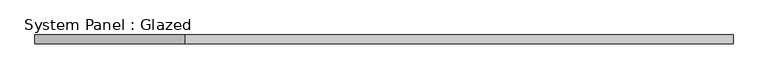
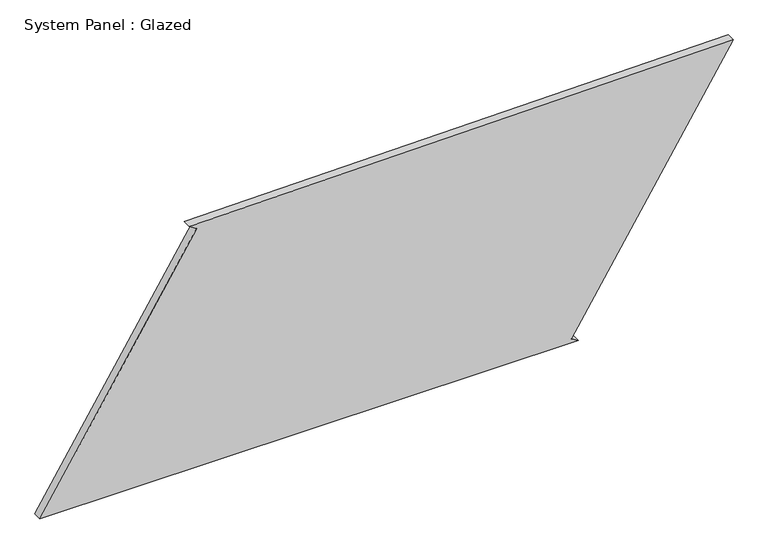
"""IFC4 building model written with IfcOpenShell, lengths in millimetres: plate geometry, System Panel : Glazed."""

from ifc_helpers import new_model, si_unit, frame, origin, place, context, project, spatial, polyline, outline, extrude, source, transform, mapped, element, save


def system_panel_glazed_07c647b2(model_context):
    return source(origin(), model_context, "Body", "SweptSolid", [
        extrude(outline(polyline([(0.0, -990.7912172), (0.0, 548.6918213), (13.2428603, 527.4874196), (755.082586, 990.7912172), (734.954859, -564.2025214), (721.7743138, -542.9593289), (0.0, -990.7912172)])), frame((0.0, -49.5, 0.0), z_axis=(0.0, 1.0, 0.0), x_axis=(0.0, 0.0, 1.0)), (0.0, 0.0, 1.0), 25.0),
    ])


if __name__ == "__main__":
    model = new_model("IFC4")
    model_context = context("Model", 3, world=origin())
    ifc_project = project(units=[si_unit("LENGTHUNIT", "METRE", prefix="MILLI")], contexts=[model_context])
    site = spatial("IfcSite", under=ifc_project)
    building = spatial("IfcBuilding", under=site)
    placement = place(None, origin())
    system_panel_glazed_shape = system_panel_glazed_07c647b2(model_context)
    element("IfcPlate", 1, ObjectType="System Panel : Glazed", at=placement, inside=building, context=model_context, shape_type="MappedRepresentation", body=[
        mapped(system_panel_glazed_shape, transform((0.0, 0.0, 0.0), x_axis=(1.0, 0.0, 0.0), y_axis=(0.0, 1.0, 0.0), z_axis=(0.0, 0.0, 1.0))),
    ])
    save(model, "model.ifc")
